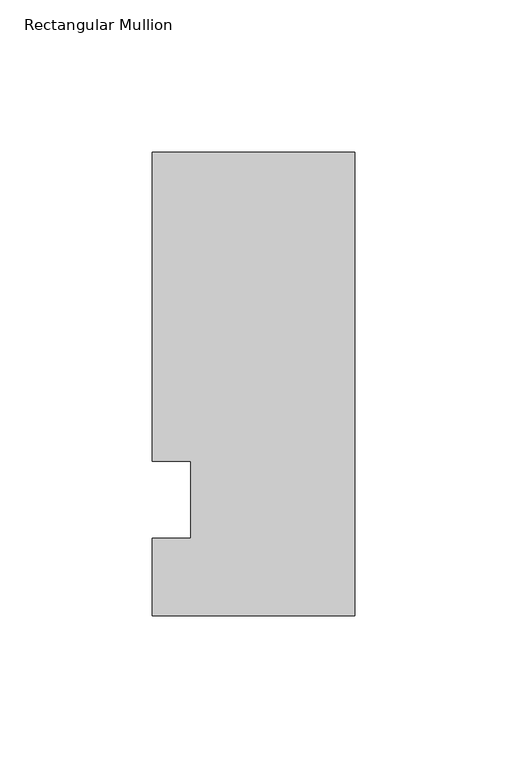
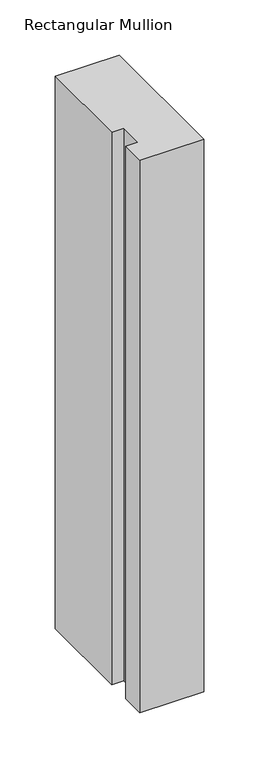
"""IFC4 building model written with IfcOpenShell, lengths in millimetres: member geometry, Rectangular Mullion."""

from ifc_helpers import new_model, si_unit, frame, origin, place, context, project, spatial, polyline, outline, extrude, source, transform, mapped, element, save


def rectangular_mullion_3abf3556(model_context):
    return source(origin(), model_context, "Body", "SweptSolid", [
        extrude(outline(polyline([(-66.675, 114.3), (0.0, 114.3), (0.0, -38.1), (-66.675, -38.1), (-66.675, -12.7), (-53.9732296, -12.7), (-53.9732296, 12.7), (-66.675, 12.7), (-66.675, 114.3)])), frame((0.0, 0.0, -609.6), z_axis=(0.0, 0.0, 1.0), x_axis=(1.0, 0.0, 0.0)), (0.0, 0.0, 1.0), 609.6),
    ])


if __name__ == "__main__":
    model = new_model("IFC4")
    model_context = context("Model", 3, world=origin())
    ifc_project = project(units=[si_unit("LENGTHUNIT", "METRE", prefix="MILLI")], contexts=[model_context])
    site = spatial("IfcSite", under=ifc_project)
    building = spatial("IfcBuilding", under=site)
    placement = place(None, origin())
    rectangular_mullion_shape = rectangular_mullion_3abf3556(model_context)
    element("IfcMember", 1, ObjectType="Rectangular Mullion", at=placement, inside=building, context=model_context, shape_type="MappedRepresentation", body=[
        mapped(rectangular_mullion_shape, transform((0.0, 0.0, 0.0), x_axis=(1.0, 0.0, 0.0), y_axis=(0.0, 1.0, 0.0), z_axis=(0.0, 0.0, 1.0))),
    ])
    save(model, "model.ifc")
